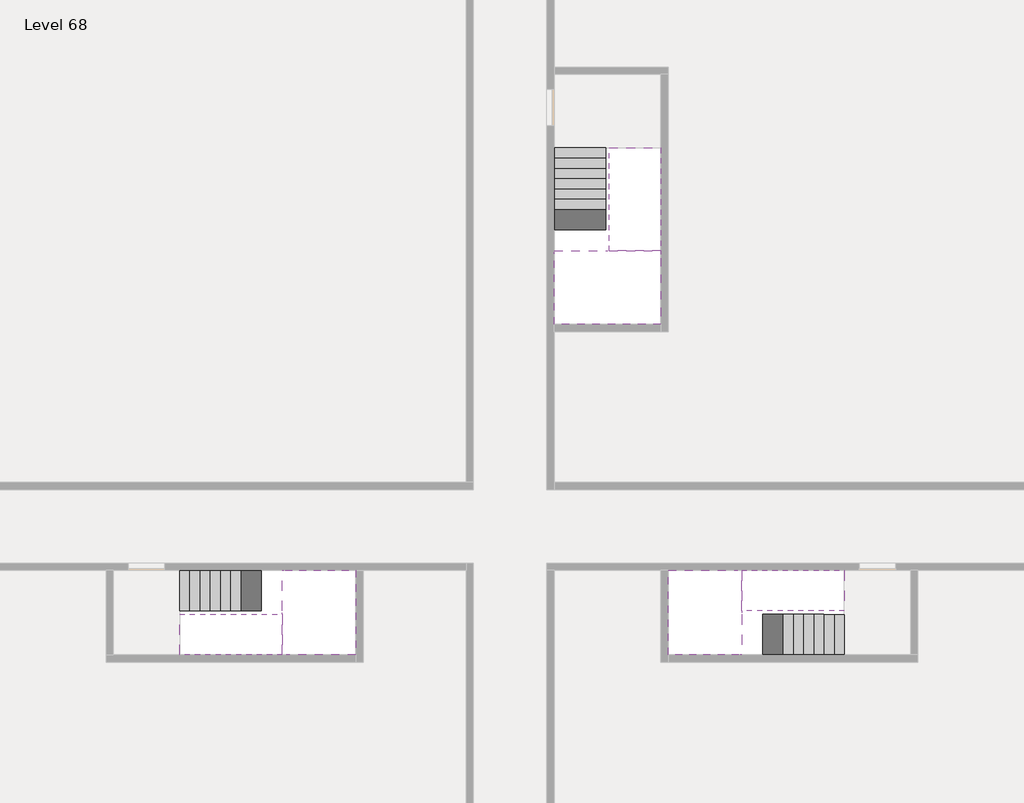
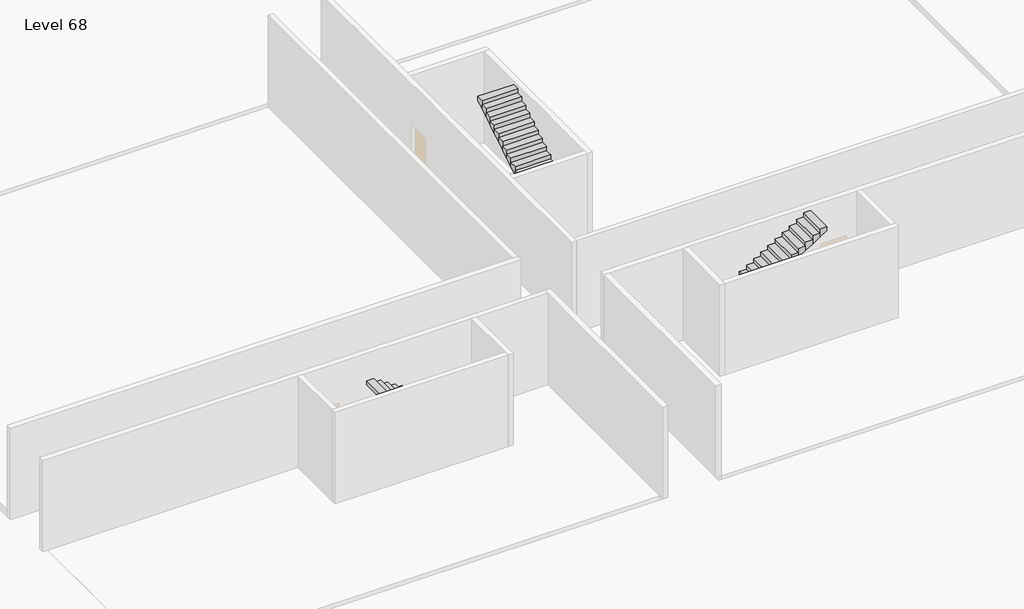
# One storey, part 2 of 2: 6 stair flights, 3 slabs.
"""IFC4 building model written with IfcOpenShell, lengths in millimetres."""

from ifc_helpers import new_model, si_unit, origin, place, context, project, spatial, faceted_brep, element, save

model = new_model("IFC4")

# Units and contexts
model_context = context("Model", 3, world=origin())
ifc_project = project(units=[si_unit("LENGTHUNIT", "METRE", prefix="MILLI")], contexts=[model_context])

# Site, building, storey
site = spatial("IfcSite", under=ifc_project)
building = spatial("IfcBuilding", under=site)
storey = spatial("IfcBuildingStorey", under=building, Name="Level 68", Elevation=254600.0)

# Slabs
placement = place(None, origin())
element("IfcSlab", 1, at=placement, inside=storey, context=model_context, shape_type="Brep", body=[
    faceted_brep([(26790.1058784, -34218.09644, 256500.0), (25390.1058784, -34218.09644, 256500.0), (25390.1058784, -34297.4828763, 256500.0), (25390.1058784, -36218.09644, 256500.0), (28290.1058784, -36218.09644, 256500.0), (28290.1058784, -34418.7100038, 256500.0), (28290.1058784, -34218.09644, 256500.0), (26890.1058784, -34218.09644, 256500.0), (26790.1058784, -34218.09644, 256200.0), (26790.1058784, -34218.09644, 256151.0278478), (25390.1058784, -34218.09644, 256151.0278478), (25390.1058784, -34218.09644, 256327.2727273), (25390.1058784, -34297.4828763, 256200.0), (25390.1058784, -36218.09644, 256200.0), (28290.1058784, -36218.09644, 256200.0), (28290.1058784, -34418.7100038, 256200.0), (28290.1058784, -34218.09644, 256323.7551205), (26890.1058784, -34218.09644, 256323.7551205), (26890.1058784, -34218.09644, 256200.0), (26890.1058784, -34418.7100038, 256200.0), (26790.1058784, -34297.4828763, 256200.0)], [[[0, 1, 2, 3, 4, 5, 6, 7]], [[1, 0, 8, 9, 10, 11]], [[1, 11, 10, 12, 13, 3, 2]], [[4, 3, 13, 14]], [[4, 14, 15, 16, 6, 5]], [[7, 6, 16, 17]], [[0, 7, 17, 18, 8]], [[18, 19, 15, 14, 13, 12, 20, 8]], [[19, 18, 17]], [[20, 12, 10, 9]], [[8, 20, 9]], [[15, 19, 17, 16]]]),
])
element("IfcSlab", 2, at=placement, inside=storey, context=model_context, shape_type="Brep", body=[
    faceted_brep([(30490.1058784, -45218.09644, 256500.0), (30490.1058784, -44118.09644, 256500.0), (30490.1058784, -44018.09644, 256500.0), (30490.1058784, -42918.09644, 256500.0), (30289.4923146, -42918.09644, 256500.0), (28490.1058784, -42918.09644, 256500.0), (28490.1058784, -45218.09644, 256500.0), (30410.7194421, -45218.09644, 256500.0), (30490.1058784, -45218.09644, 256327.2727273), (30490.1058784, -45218.09644, 256151.0278478), (30490.1058784, -44118.09644, 256151.0278478), (30490.1058784, -44118.09644, 256200.0), (30490.1058784, -44018.09644, 256200.0), (30490.1058784, -44018.09644, 256323.7551205), (30490.1058784, -42918.09644, 256323.7551205), (30289.4923146, -42918.09644, 256200.0), (28490.1058784, -42918.09644, 256200.0), (28490.1058784, -45218.09644, 256200.0), (30410.7194421, -45218.09644, 256200.0), (30289.4923146, -44018.09644, 256200.0), (30410.7194421, -44118.09644, 256200.0)], [[[0, 1, 2, 3, 4, 5, 6, 7]], [[1, 0, 8, 9, 10, 11]], [[2, 1, 11, 12, 13]], [[3, 2, 13, 14]], [[3, 14, 15, 16, 5, 4]], [[6, 5, 16, 17]], [[9, 8, 0, 7, 6, 17, 18]], [[19, 12, 11, 20, 18, 17, 16, 15]], [[12, 19, 13]], [[18, 20, 10, 9]], [[20, 11, 10]], [[19, 15, 14, 13]]]),
])
element("IfcSlab", 3, at=placement, inside=storey, context=model_context, shape_type="Brep", body=[
    faceted_brep([(17990.1058784, -42918.09644, 256500.0), (17990.1058784, -44018.09644, 256500.0), (17990.1058784, -44118.09644, 256500.0), (17990.1058784, -45218.09644, 256500.0), (18190.7194421, -45218.09644, 256500.0), (19990.1058784, -45218.09644, 256500.0), (19990.1058784, -42918.09644, 256500.0), (18069.4923146, -42918.09644, 256500.0), (17990.1058784, -42918.09644, 256327.2727273), (17990.1058784, -42918.09644, 256151.0278478), (17990.1058784, -44018.09644, 256151.0278478), (17990.1058784, -44018.09644, 256200.0), (17990.1058784, -44118.09644, 256200.0), (17990.1058784, -44118.09644, 256323.7551205), (17990.1058784, -45218.09644, 256323.7551205), (18190.7194421, -45218.09644, 256200.0), (19990.1058784, -45218.09644, 256200.0), (19990.1058784, -42918.09644, 256200.0), (18069.4923146, -42918.09644, 256200.0), (18190.7194421, -44118.09644, 256200.0), (18069.4923146, -44018.09644, 256200.0)], [[[0, 1, 2, 3, 4, 5, 6, 7]], [[1, 0, 8, 9, 10, 11]], [[2, 1, 11, 12, 13]], [[3, 2, 13, 14]], [[3, 14, 15, 16, 5, 4]], [[6, 5, 16, 17]], [[9, 8, 0, 7, 6, 17, 18]], [[19, 12, 11, 20, 18, 17, 16, 15]], [[12, 19, 13]], [[18, 20, 10, 9]], [[20, 11, 10]], [[19, 15, 14, 13]]]),
])

# Stair flights
element("IfcStairFlight", 4, at=placement, inside=storey, context=model_context, shape_type="Brep", body=[
    faceted_brep([(26790.1058784, -31698.09644, 254772.7272727), (26790.1058784, -31418.09644, 254772.7272727), (25390.1058784, -31418.09644, 254772.7272727), (25390.1058784, -31698.09644, 254772.7272727), (26790.1058784, -31698.09644, 254600.0), (26790.1058784, -31418.09644, 254600.0), (25390.1058784, -31418.09644, 254600.0), (25390.1058784, -31698.09644, 254600.0), (26790.1058784, -31978.09644, 254945.4545455), (26790.1058784, -31698.09644, 254945.4545455), (25390.1058784, -31698.09644, 254945.4545455), (25390.1058784, -31978.09644, 254945.4545455), (26790.1058784, -31978.09644, 254769.209666), (26790.1058784, -31703.7986657, 254600.0), (25390.1058784, -31703.7986657, 254600.0), (25390.1058784, -31978.09644, 254769.209666), (26790.1058784, -32258.09644, 255118.1818182), (26790.1058784, -31978.09644, 255118.1818182), (25390.1058784, -31978.09644, 255118.1818182), (25390.1058784, -32258.09644, 255118.1818182), (26790.1058784, -32258.09644, 254941.9369387), (25390.1058784, -32258.09644, 254941.9369387), (26790.1058784, -32538.09644, 255290.9090909), (26790.1058784, -32258.09644, 255290.9090909), (25390.1058784, -32258.09644, 255290.9090909), (25390.1058784, -32538.09644, 255290.9090909), (26790.1058784, -32538.09644, 255114.6642114), (25390.1058784, -32538.09644, 255114.6642114), (26790.1058784, -32818.09644, 255463.6363636), (26790.1058784, -32538.09644, 255463.6363636), (25390.1058784, -32538.09644, 255463.6363636), (25390.1058784, -32818.09644, 255463.6363636), (26790.1058784, -32818.09644, 255287.3914841), (25390.1058784, -32818.09644, 255287.3914841), (26790.1058784, -33098.09644, 255636.3636364), (26790.1058784, -32818.09644, 255636.3636364), (25390.1058784, -32818.09644, 255636.3636364), (25390.1058784, -33098.09644, 255636.3636364), (26790.1058784, -33098.09644, 255460.1187569), (25390.1058784, -33098.09644, 255460.1187569), (26790.1058784, -33378.09644, 255809.0909091), (26790.1058784, -33098.09644, 255809.0909091), (25390.1058784, -33098.09644, 255809.0909091), (25390.1058784, -33378.09644, 255809.0909091), (26790.1058784, -33378.09644, 255632.8460296), (25390.1058784, -33378.09644, 255632.8460296), (26790.1058784, -33658.09644, 255981.8181818), (26790.1058784, -33378.09644, 255981.8181818), (25390.1058784, -33378.09644, 255981.8181818), (25390.1058784, -33658.09644, 255981.8181818), (26790.1058784, -33658.09644, 255805.5733023), (25390.1058784, -33658.09644, 255805.5733023), (26790.1058784, -33938.09644, 256154.5454545), (26790.1058784, -33658.09644, 256154.5454545), (25390.1058784, -33658.09644, 256154.5454545), (25390.1058784, -33938.09644, 256154.5454545), (26790.1058784, -33938.09644, 255978.3005751), (25390.1058784, -33938.09644, 255978.3005751), (26790.1058784, -34218.09644, 256327.2727273), (26790.1058784, -33938.09644, 256327.2727273), (25390.1058784, -33938.09644, 256327.2727273), (25390.1058784, -34218.09644, 256327.2727273), (26790.1058784, -34218.09644, 256200.0), (26790.1058784, -34218.09644, 256151.0278478), (25390.1058784, -34218.09644, 256151.0278478)], [[[0, 1, 2, 3]], [[1, 0, 4, 5]], [[2, 1, 5, 6]], [[3, 2, 6, 7]], [[8, 9, 10, 11]], [[4, 0, 9, 8, 12, 13]], [[0, 3, 10, 9]], [[3, 7, 14, 15, 11, 10]], [[16, 17, 18, 19]], [[17, 16, 20, 12, 8]], [[8, 11, 18, 17]], [[19, 18, 11, 15, 21]], [[22, 23, 24, 25]], [[23, 22, 26, 20, 16]], [[16, 19, 24, 23]], [[25, 24, 19, 21, 27]], [[28, 29, 30, 31]], [[29, 28, 32, 26, 22]], [[22, 25, 30, 29]], [[31, 30, 25, 27, 33]], [[34, 35, 36, 37]], [[35, 34, 38, 32, 28]], [[28, 31, 36, 35]], [[37, 36, 31, 33, 39]], [[40, 41, 42, 43]], [[41, 40, 44, 38, 34]], [[34, 37, 42, 41]], [[43, 42, 37, 39, 45]], [[46, 47, 48, 49]], [[47, 46, 50, 44, 40]], [[40, 43, 48, 47]], [[49, 48, 43, 45, 51]], [[52, 53, 54, 55]], [[53, 52, 56, 50, 46]], [[46, 49, 54, 53]], [[55, 54, 49, 51, 57]], [[58, 59, 60, 61]], [[59, 58, 62, 63, 56, 52]], [[52, 55, 60, 59]], [[61, 60, 55, 57, 64]], [[58, 61, 64, 63, 62]], [[5, 4, 13, 14, 7, 6]], [[14, 13, 12, 20, 26, 32, 38, 44, 50, 56, 63, 64, 57, 51, 45, 39, 33, 27, 21, 15]]]),
])
element("IfcStairFlight", 5, at=placement, inside=storey, context=model_context, shape_type="Brep", body=[
    faceted_brep([(26890.1058784, -33938.09644, 256672.7272727), (26890.1058784, -34218.09644, 256672.7272727), (28290.1058784, -34218.09644, 256672.7272727), (28290.1058784, -33938.09644, 256672.7272727), (26890.1058784, -33938.09644, 256496.4823932), (26890.1058784, -34218.09644, 256323.7551205), (28290.1058784, -34218.09644, 256323.7551205), (28290.1058784, -34218.09644, 256500.0), (28290.1058784, -33938.09644, 256496.4823932), (26890.1058784, -33658.09644, 256845.4545455), (26890.1058784, -33938.09644, 256845.4545455), (28290.1058784, -33938.09644, 256845.4545455), (28290.1058784, -33658.09644, 256845.4545455), (26890.1058784, -33658.09644, 256669.209666), (28290.1058784, -33658.09644, 256669.209666), (26890.1058784, -33378.09644, 257018.1818182), (26890.1058784, -33658.09644, 257018.1818182), (28290.1058784, -33658.09644, 257018.1818182), (28290.1058784, -33378.09644, 257018.1818182), (26890.1058784, -33378.09644, 256841.9369387), (28290.1058784, -33378.09644, 256841.9369387), (26890.1058784, -33098.09644, 257190.9090909), (26890.1058784, -33378.09644, 257190.9090909), (28290.1058784, -33378.09644, 257190.9090909), (28290.1058784, -33098.09644, 257190.9090909), (26890.1058784, -33098.09644, 257014.6642114), (28290.1058784, -33098.09644, 257014.6642114), (26890.1058784, -32818.09644, 257363.6363636), (26890.1058784, -33098.09644, 257363.6363636), (28290.1058784, -33098.09644, 257363.6363636), (28290.1058784, -32818.09644, 257363.6363636), (26890.1058784, -32818.09644, 257187.3914841), (28290.1058784, -32818.09644, 257187.3914841), (26890.1058784, -32538.09644, 257536.3636364), (26890.1058784, -32818.09644, 257536.3636364), (28290.1058784, -32818.09644, 257536.3636364), (28290.1058784, -32538.09644, 257536.3636364), (26890.1058784, -32538.09644, 257360.1187569), (28290.1058784, -32538.09644, 257360.1187569), (26890.1058784, -32258.09644, 257709.0909091), (26890.1058784, -32538.09644, 257709.0909091), (28290.1058784, -32538.09644, 257709.0909091), (28290.1058784, -32258.09644, 257709.0909091), (26890.1058784, -32258.09644, 257532.8460296), (28290.1058784, -32258.09644, 257532.8460296), (26890.1058784, -31978.09644, 257881.8181818), (26890.1058784, -32258.09644, 257881.8181818), (28290.1058784, -32258.09644, 257881.8181818), (28290.1058784, -31978.09644, 257881.8181818), (26890.1058784, -31978.09644, 257705.5733023), (28290.1058784, -31978.09644, 257705.5733023), (26890.1058784, -31698.09644, 258054.5454545), (26890.1058784, -31978.09644, 258054.5454545), (28290.1058784, -31978.09644, 258054.5454545), (28290.1058784, -31698.09644, 258054.5454545), (26890.1058784, -31698.09644, 257878.3005751), (28290.1058784, -31698.09644, 257878.3005751), (26890.1058784, -31418.09644, 258227.2727273), (26890.1058784, -31698.09644, 258227.2727273), (28290.1058784, -31698.09644, 258227.2727273), (28290.1058784, -31418.09644, 258227.2727273), (26890.1058784, -31418.09644, 258051.0278478), (28290.1058784, -31418.09644, 258051.0278478)], [[[0, 1, 2, 3]], [[1, 0, 4, 5]], [[2, 1, 5, 6, 7]], [[3, 2, 7, 6, 8]], [[9, 10, 11, 12]], [[10, 9, 13, 4, 0]], [[11, 10, 0, 3]], [[12, 11, 3, 8, 14]], [[15, 16, 17, 18]], [[16, 15, 19, 13, 9]], [[17, 16, 9, 12]], [[18, 17, 12, 14, 20]], [[21, 22, 23, 24]], [[22, 21, 25, 19, 15]], [[23, 22, 15, 18]], [[24, 23, 18, 20, 26]], [[27, 28, 29, 30]], [[28, 27, 31, 25, 21]], [[29, 28, 21, 24]], [[30, 29, 24, 26, 32]], [[33, 34, 35, 36]], [[34, 33, 37, 31, 27]], [[35, 34, 27, 30]], [[36, 35, 30, 32, 38]], [[39, 40, 41, 42]], [[40, 39, 43, 37, 33]], [[41, 40, 33, 36]], [[42, 41, 36, 38, 44]], [[45, 46, 47, 48]], [[46, 45, 49, 43, 39]], [[47, 46, 39, 42]], [[48, 47, 42, 44, 50]], [[51, 52, 53, 54]], [[52, 51, 55, 49, 45]], [[53, 52, 45, 48]], [[54, 53, 48, 50, 56]], [[57, 58, 59, 60]], [[58, 57, 61, 55, 51]], [[59, 58, 51, 54]], [[60, 59, 54, 56, 62]], [[57, 60, 62, 61]], [[5, 4, 13, 19, 25, 31, 37, 43, 49, 55, 61, 62, 56, 50, 44, 38, 32, 26, 20, 14, 8, 6]]]),
])
element("IfcStairFlight", 6, at=placement, inside=storey, context=model_context, shape_type="Brep", body=[
    faceted_brep([(33010.1058784, -45218.09644, 254772.7272727), (33290.1058784, -45218.09644, 254772.7272727), (33290.1058784, -44118.09644, 254772.7272727), (33010.1058784, -44118.09644, 254772.7272727), (33010.1058784, -45218.09644, 254600.0), (33290.1058784, -45218.09644, 254600.0), (33290.1058784, -44118.09644, 254600.0), (33010.1058784, -44118.09644, 254600.0), (32730.1058784, -45218.09644, 254945.4545455), (33010.1058784, -45218.09644, 254945.4545455), (33010.1058784, -44118.09644, 254945.4545455), (32730.1058784, -44118.09644, 254945.4545455), (32730.1058784, -45218.09644, 254769.209666), (33004.4036527, -45218.09644, 254600.0), (33004.4036527, -44118.09644, 254600.0), (32730.1058784, -44118.09644, 254769.209666), (32450.1058784, -45218.09644, 255118.1818182), (32730.1058784, -45218.09644, 255118.1818182), (32730.1058784, -44118.09644, 255118.1818182), (32450.1058784, -44118.09644, 255118.1818182), (32450.1058784, -45218.09644, 254941.9369387), (32450.1058784, -44118.09644, 254941.9369387), (32170.1058784, -45218.09644, 255290.9090909), (32450.1058784, -45218.09644, 255290.9090909), (32450.1058784, -44118.09644, 255290.9090909), (32170.1058784, -44118.09644, 255290.9090909), (32170.1058784, -45218.09644, 255114.6642114), (32170.1058784, -44118.09644, 255114.6642114), (31890.1058784, -45218.09644, 255463.6363636), (32170.1058784, -45218.09644, 255463.6363636), (32170.1058784, -44118.09644, 255463.6363636), (31890.1058784, -44118.09644, 255463.6363636), (31890.1058784, -45218.09644, 255287.3914841), (31890.1058784, -44118.09644, 255287.3914841), (31610.1058784, -45218.09644, 255636.3636364), (31890.1058784, -45218.09644, 255636.3636364), (31890.1058784, -44118.09644, 255636.3636364), (31610.1058784, -44118.09644, 255636.3636364), (31610.1058784, -45218.09644, 255460.1187569), (31610.1058784, -44118.09644, 255460.1187569), (31330.1058784, -45218.09644, 255809.0909091), (31610.1058784, -45218.09644, 255809.0909091), (31610.1058784, -44118.09644, 255809.0909091), (31330.1058784, -44118.09644, 255809.0909091), (31330.1058784, -45218.09644, 255632.8460296), (31330.1058784, -44118.09644, 255632.8460296), (31050.1058784, -45218.09644, 255981.8181818), (31330.1058784, -45218.09644, 255981.8181818), (31330.1058784, -44118.09644, 255981.8181818), (31050.1058784, -44118.09644, 255981.8181818), (31050.1058784, -45218.09644, 255805.5733023), (31050.1058784, -44118.09644, 255805.5733023), (30770.1058784, -45218.09644, 256154.5454545), (31050.1058784, -45218.09644, 256154.5454545), (31050.1058784, -44118.09644, 256154.5454545), (30770.1058784, -44118.09644, 256154.5454545), (30770.1058784, -45218.09644, 255978.3005751), (30770.1058784, -44118.09644, 255978.3005751), (30490.1058784, -45218.09644, 256327.2727273), (30770.1058784, -45218.09644, 256327.2727273), (30770.1058784, -44118.09644, 256327.2727273), (30490.1058784, -44118.09644, 256327.2727273), (30490.1058784, -45218.09644, 256151.0278478), (30490.1058784, -44118.09644, 256151.0278478), (30490.1058784, -44118.09644, 256200.0)], [[[0, 1, 2, 3]], [[1, 0, 4, 5]], [[2, 1, 5, 6]], [[3, 2, 6, 7]], [[8, 9, 10, 11]], [[4, 0, 9, 8, 12, 13]], [[0, 3, 10, 9]], [[3, 7, 14, 15, 11, 10]], [[16, 17, 18, 19]], [[17, 16, 20, 12, 8]], [[8, 11, 18, 17]], [[19, 18, 11, 15, 21]], [[22, 23, 24, 25]], [[23, 22, 26, 20, 16]], [[16, 19, 24, 23]], [[25, 24, 19, 21, 27]], [[28, 29, 30, 31]], [[29, 28, 32, 26, 22]], [[22, 25, 30, 29]], [[31, 30, 25, 27, 33]], [[34, 35, 36, 37]], [[35, 34, 38, 32, 28]], [[28, 31, 36, 35]], [[37, 36, 31, 33, 39]], [[40, 41, 42, 43]], [[41, 40, 44, 38, 34]], [[34, 37, 42, 41]], [[43, 42, 37, 39, 45]], [[46, 47, 48, 49]], [[47, 46, 50, 44, 40]], [[40, 43, 48, 47]], [[49, 48, 43, 45, 51]], [[52, 53, 54, 55]], [[53, 52, 56, 50, 46]], [[46, 49, 54, 53]], [[55, 54, 49, 51, 57]], [[58, 59, 60, 61]], [[59, 58, 62, 56, 52]], [[52, 55, 60, 59]], [[61, 60, 55, 57, 63, 64]], [[58, 61, 64, 63, 62]], [[5, 4, 13, 14, 7, 6]], [[14, 13, 12, 20, 26, 32, 38, 44, 50, 56, 62, 63, 57, 51, 45, 39, 33, 27, 21, 15]]]),
])
element("IfcStairFlight", 7, at=placement, inside=storey, context=model_context, shape_type="Brep", body=[
    faceted_brep([(30770.1058784, -42918.09644, 256672.7272727), (30490.1058784, -42918.09644, 256672.7272727), (30490.1058784, -44018.09644, 256672.7272727), (30770.1058784, -44018.09644, 256672.7272727), (30770.1058784, -42918.09644, 256496.4823932), (30490.1058784, -42918.09644, 256323.7551205), (30490.1058784, -42918.09644, 256500.0), (30490.1058784, -44018.09644, 256323.7551205), (30770.1058784, -44018.09644, 256496.4823932), (31050.1058784, -42918.09644, 256845.4545455), (30770.1058784, -42918.09644, 256845.4545455), (30770.1058784, -44018.09644, 256845.4545455), (31050.1058784, -44018.09644, 256845.4545455), (31050.1058784, -42918.09644, 256669.209666), (31050.1058784, -44018.09644, 256669.209666), (31330.1058784, -42918.09644, 257018.1818182), (31050.1058784, -42918.09644, 257018.1818182), (31050.1058784, -44018.09644, 257018.1818182), (31330.1058784, -44018.09644, 257018.1818182), (31330.1058784, -42918.09644, 256841.9369387), (31330.1058784, -44018.09644, 256841.9369387), (31610.1058784, -42918.09644, 257190.9090909), (31330.1058784, -42918.09644, 257190.9090909), (31330.1058784, -44018.09644, 257190.9090909), (31610.1058784, -44018.09644, 257190.9090909), (31610.1058784, -42918.09644, 257014.6642114), (31610.1058784, -44018.09644, 257014.6642114), (31890.1058784, -42918.09644, 257363.6363636), (31610.1058784, -42918.09644, 257363.6363636), (31610.1058784, -44018.09644, 257363.6363636), (31890.1058784, -44018.09644, 257363.6363636), (31890.1058784, -42918.09644, 257187.3914841), (31890.1058784, -44018.09644, 257187.3914841), (32170.1058784, -42918.09644, 257536.3636364), (31890.1058784, -42918.09644, 257536.3636364), (31890.1058784, -44018.09644, 257536.3636364), (32170.1058784, -44018.09644, 257536.3636364), (32170.1058784, -42918.09644, 257360.1187569), (32170.1058784, -44018.09644, 257360.1187569), (32450.1058784, -42918.09644, 257709.0909091), (32170.1058784, -42918.09644, 257709.0909091), (32170.1058784, -44018.09644, 257709.0909091), (32450.1058784, -44018.09644, 257709.0909091), (32450.1058784, -42918.09644, 257532.8460296), (32450.1058784, -44018.09644, 257532.8460296), (32730.1058784, -42918.09644, 257881.8181818), (32450.1058784, -42918.09644, 257881.8181818), (32450.1058784, -44018.09644, 257881.8181818), (32730.1058784, -44018.09644, 257881.8181818), (32730.1058784, -42918.09644, 257705.5733023), (32730.1058784, -44018.09644, 257705.5733023), (33010.1058784, -42918.09644, 258054.5454545), (32730.1058784, -42918.09644, 258054.5454545), (32730.1058784, -44018.09644, 258054.5454545), (33010.1058784, -44018.09644, 258054.5454545), (33010.1058784, -42918.09644, 257878.3005751), (33010.1058784, -44018.09644, 257878.3005751), (33290.1058784, -42918.09644, 258227.2727273), (33010.1058784, -42918.09644, 258227.2727273), (33010.1058784, -44018.09644, 258227.2727273), (33290.1058784, -44018.09644, 258227.2727273), (33290.1058784, -42918.09644, 258051.0278478), (33290.1058784, -44018.09644, 258051.0278478)], [[[0, 1, 2, 3]], [[1, 0, 4, 5, 6]], [[2, 1, 6, 5, 7]], [[3, 2, 7, 8]], [[9, 10, 11, 12]], [[10, 9, 13, 4, 0]], [[11, 10, 0, 3]], [[12, 11, 3, 8, 14]], [[15, 16, 17, 18]], [[16, 15, 19, 13, 9]], [[17, 16, 9, 12]], [[18, 17, 12, 14, 20]], [[21, 22, 23, 24]], [[22, 21, 25, 19, 15]], [[23, 22, 15, 18]], [[24, 23, 18, 20, 26]], [[27, 28, 29, 30]], [[28, 27, 31, 25, 21]], [[29, 28, 21, 24]], [[30, 29, 24, 26, 32]], [[33, 34, 35, 36]], [[34, 33, 37, 31, 27]], [[35, 34, 27, 30]], [[36, 35, 30, 32, 38]], [[39, 40, 41, 42]], [[40, 39, 43, 37, 33]], [[41, 40, 33, 36]], [[42, 41, 36, 38, 44]], [[45, 46, 47, 48]], [[46, 45, 49, 43, 39]], [[47, 46, 39, 42]], [[48, 47, 42, 44, 50]], [[51, 52, 53, 54]], [[52, 51, 55, 49, 45]], [[53, 52, 45, 48]], [[54, 53, 48, 50, 56]], [[57, 58, 59, 60]], [[58, 57, 61, 55, 51]], [[59, 58, 51, 54]], [[60, 59, 54, 56, 62]], [[57, 60, 62, 61]], [[5, 4, 13, 19, 25, 31, 37, 43, 49, 55, 61, 62, 56, 50, 44, 38, 32, 26, 20, 14, 8, 7]]]),
])
element("IfcStairFlight", 8, at=placement, inside=storey, context=model_context, shape_type="Brep", body=[
    faceted_brep([(15470.1058784, -42918.09644, 254772.7272727), (15190.1058784, -42918.09644, 254772.7272727), (15190.1058784, -44018.09644, 254772.7272727), (15470.1058784, -44018.09644, 254772.7272727), (15470.1058784, -42918.09644, 254600.0), (15190.1058784, -42918.09644, 254600.0), (15190.1058784, -44018.09644, 254600.0), (15470.1058784, -44018.09644, 254600.0), (15750.1058784, -42918.09644, 254945.4545455), (15470.1058784, -42918.09644, 254945.4545455), (15470.1058784, -44018.09644, 254945.4545455), (15750.1058784, -44018.09644, 254945.4545455), (15750.1058784, -42918.09644, 254769.209666), (15475.8081041, -42918.09644, 254600.0), (15475.8081041, -44018.09644, 254600.0), (15750.1058784, -44018.09644, 254769.209666), (16030.1058784, -42918.09644, 255118.1818182), (15750.1058784, -42918.09644, 255118.1818182), (15750.1058784, -44018.09644, 255118.1818182), (16030.1058784, -44018.09644, 255118.1818182), (16030.1058784, -42918.09644, 254941.9369387), (16030.1058784, -44018.09644, 254941.9369387), (16310.1058784, -42918.09644, 255290.9090909), (16030.1058784, -42918.09644, 255290.9090909), (16030.1058784, -44018.09644, 255290.9090909), (16310.1058784, -44018.09644, 255290.9090909), (16310.1058784, -42918.09644, 255114.6642114), (16310.1058784, -44018.09644, 255114.6642114), (16590.1058784, -42918.09644, 255463.6363636), (16310.1058784, -42918.09644, 255463.6363636), (16310.1058784, -44018.09644, 255463.6363636), (16590.1058784, -44018.09644, 255463.6363636), (16590.1058784, -42918.09644, 255287.3914841), (16590.1058784, -44018.09644, 255287.3914841), (16870.1058784, -42918.09644, 255636.3636364), (16590.1058784, -42918.09644, 255636.3636364), (16590.1058784, -44018.09644, 255636.3636364), (16870.1058784, -44018.09644, 255636.3636364), (16870.1058784, -42918.09644, 255460.1187569), (16870.1058784, -44018.09644, 255460.1187569), (17150.1058784, -42918.09644, 255809.0909091), (16870.1058784, -42918.09644, 255809.0909091), (16870.1058784, -44018.09644, 255809.0909091), (17150.1058784, -44018.09644, 255809.0909091), (17150.1058784, -42918.09644, 255632.8460296), (17150.1058784, -44018.09644, 255632.8460296), (17430.1058784, -42918.09644, 255981.8181818), (17150.1058784, -42918.09644, 255981.8181818), (17150.1058784, -44018.09644, 255981.8181818), (17430.1058784, -44018.09644, 255981.8181818), (17430.1058784, -42918.09644, 255805.5733023), (17430.1058784, -44018.09644, 255805.5733023), (17710.1058784, -42918.09644, 256154.5454545), (17430.1058784, -42918.09644, 256154.5454545), (17430.1058784, -44018.09644, 256154.5454545), (17710.1058784, -44018.09644, 256154.5454545), (17710.1058784, -42918.09644, 255978.3005751), (17710.1058784, -44018.09644, 255978.3005751), (17990.1058784, -42918.09644, 256327.2727273), (17710.1058784, -42918.09644, 256327.2727273), (17710.1058784, -44018.09644, 256327.2727273), (17990.1058784, -44018.09644, 256327.2727273), (17990.1058784, -42918.09644, 256151.0278478), (17990.1058784, -44018.09644, 256151.0278478), (17990.1058784, -44018.09644, 256200.0)], [[[0, 1, 2, 3]], [[1, 0, 4, 5]], [[2, 1, 5, 6]], [[3, 2, 6, 7]], [[8, 9, 10, 11]], [[4, 0, 9, 8, 12, 13]], [[0, 3, 10, 9]], [[3, 7, 14, 15, 11, 10]], [[16, 17, 18, 19]], [[17, 16, 20, 12, 8]], [[8, 11, 18, 17]], [[19, 18, 11, 15, 21]], [[22, 23, 24, 25]], [[23, 22, 26, 20, 16]], [[16, 19, 24, 23]], [[25, 24, 19, 21, 27]], [[28, 29, 30, 31]], [[29, 28, 32, 26, 22]], [[22, 25, 30, 29]], [[31, 30, 25, 27, 33]], [[34, 35, 36, 37]], [[35, 34, 38, 32, 28]], [[28, 31, 36, 35]], [[37, 36, 31, 33, 39]], [[40, 41, 42, 43]], [[41, 40, 44, 38, 34]], [[34, 37, 42, 41]], [[43, 42, 37, 39, 45]], [[46, 47, 48, 49]], [[47, 46, 50, 44, 40]], [[40, 43, 48, 47]], [[49, 48, 43, 45, 51]], [[52, 53, 54, 55]], [[53, 52, 56, 50, 46]], [[46, 49, 54, 53]], [[55, 54, 49, 51, 57]], [[58, 59, 60, 61]], [[59, 58, 62, 56, 52]], [[52, 55, 60, 59]], [[61, 60, 55, 57, 63, 64]], [[58, 61, 64, 63, 62]], [[5, 4, 13, 14, 7, 6]], [[14, 13, 12, 20, 26, 32, 38, 44, 50, 56, 62, 63, 57, 51, 45, 39, 33, 27, 21, 15]]]),
])
element("IfcStairFlight", 9, at=placement, inside=storey, context=model_context, shape_type="Brep", body=[
    faceted_brep([(17710.1058784, -45218.09644, 256672.7272727), (17990.1058784, -45218.09644, 256672.7272727), (17990.1058784, -44118.09644, 256672.7272727), (17710.1058784, -44118.09644, 256672.7272727), (17710.1058784, -45218.09644, 256496.4823932), (17990.1058784, -45218.09644, 256323.7551205), (17990.1058784, -45218.09644, 256500.0), (17990.1058784, -44118.09644, 256323.7551205), (17710.1058784, -44118.09644, 256496.4823932), (17430.1058784, -45218.09644, 256845.4545455), (17710.1058784, -45218.09644, 256845.4545455), (17710.1058784, -44118.09644, 256845.4545455), (17430.1058784, -44118.09644, 256845.4545455), (17430.1058784, -45218.09644, 256669.209666), (17430.1058784, -44118.09644, 256669.209666), (17150.1058784, -45218.09644, 257018.1818182), (17430.1058784, -45218.09644, 257018.1818182), (17430.1058784, -44118.09644, 257018.1818182), (17150.1058784, -44118.09644, 257018.1818182), (17150.1058784, -45218.09644, 256841.9369387), (17150.1058784, -44118.09644, 256841.9369387), (16870.1058784, -45218.09644, 257190.9090909), (17150.1058784, -45218.09644, 257190.9090909), (17150.1058784, -44118.09644, 257190.9090909), (16870.1058784, -44118.09644, 257190.9090909), (16870.1058784, -45218.09644, 257014.6642114), (16870.1058784, -44118.09644, 257014.6642114), (16590.1058784, -45218.09644, 257363.6363636), (16870.1058784, -45218.09644, 257363.6363636), (16870.1058784, -44118.09644, 257363.6363636), (16590.1058784, -44118.09644, 257363.6363636), (16590.1058784, -45218.09644, 257187.3914841), (16590.1058784, -44118.09644, 257187.3914841), (16310.1058784, -45218.09644, 257536.3636364), (16590.1058784, -45218.09644, 257536.3636364), (16590.1058784, -44118.09644, 257536.3636364), (16310.1058784, -44118.09644, 257536.3636364), (16310.1058784, -45218.09644, 257360.1187569), (16310.1058784, -44118.09644, 257360.1187569), (16030.1058784, -45218.09644, 257709.0909091), (16310.1058784, -45218.09644, 257709.0909091), (16310.1058784, -44118.09644, 257709.0909091), (16030.1058784, -44118.09644, 257709.0909091), (16030.1058784, -45218.09644, 257532.8460296), (16030.1058784, -44118.09644, 257532.8460296), (15750.1058784, -45218.09644, 257881.8181818), (16030.1058784, -45218.09644, 257881.8181818), (16030.1058784, -44118.09644, 257881.8181818), (15750.1058784, -44118.09644, 257881.8181818), (15750.1058784, -45218.09644, 257705.5733023), (15750.1058784, -44118.09644, 257705.5733023), (15470.1058784, -45218.09644, 258054.5454545), (15750.1058784, -45218.09644, 258054.5454545), (15750.1058784, -44118.09644, 258054.5454545), (15470.1058784, -44118.09644, 258054.5454545), (15470.1058784, -45218.09644, 257878.3005751), (15470.1058784, -44118.09644, 257878.3005751), (15190.1058784, -45218.09644, 258227.2727273), (15470.1058784, -45218.09644, 258227.2727273), (15470.1058784, -44118.09644, 258227.2727273), (15190.1058784, -44118.09644, 258227.2727273), (15190.1058784, -45218.09644, 258051.0278478), (15190.1058784, -44118.09644, 258051.0278478)], [[[0, 1, 2, 3]], [[1, 0, 4, 5, 6]], [[2, 1, 6, 5, 7]], [[3, 2, 7, 8]], [[9, 10, 11, 12]], [[10, 9, 13, 4, 0]], [[11, 10, 0, 3]], [[12, 11, 3, 8, 14]], [[15, 16, 17, 18]], [[16, 15, 19, 13, 9]], [[17, 16, 9, 12]], [[18, 17, 12, 14, 20]], [[21, 22, 23, 24]], [[22, 21, 25, 19, 15]], [[23, 22, 15, 18]], [[24, 23, 18, 20, 26]], [[27, 28, 29, 30]], [[28, 27, 31, 25, 21]], [[29, 28, 21, 24]], [[30, 29, 24, 26, 32]], [[33, 34, 35, 36]], [[34, 33, 37, 31, 27]], [[35, 34, 27, 30]], [[36, 35, 30, 32, 38]], [[39, 40, 41, 42]], [[40, 39, 43, 37, 33]], [[41, 40, 33, 36]], [[42, 41, 36, 38, 44]], [[45, 46, 47, 48]], [[46, 45, 49, 43, 39]], [[47, 46, 39, 42]], [[48, 47, 42, 44, 50]], [[51, 52, 53, 54]], [[52, 51, 55, 49, 45]], [[53, 52, 45, 48]], [[54, 53, 48, 50, 56]], [[57, 58, 59, 60]], [[58, 57, 61, 55, 51]], [[59, 58, 51, 54]], [[60, 59, 54, 56, 62]], [[57, 60, 62, 61]], [[5, 4, 13, 19, 25, 31, 37, 43, 49, 55, 61, 62, 56, 50, 44, 38, 32, 26, 20, 14, 8, 7]]]),
])

save(model, "model.ifc")
